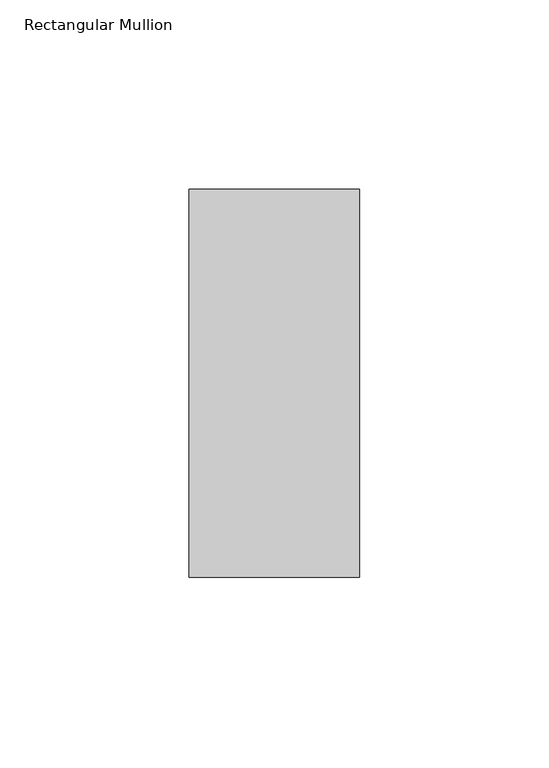
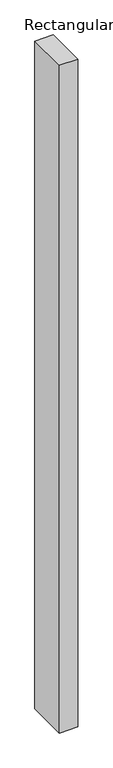
"""IFC4 building model written with IfcOpenShell, lengths in millimetres: member geometry, Rectangular Mullion."""

from ifc_helpers import new_model, si_unit, frame, origin, place, context, project, spatial, polyline, outline, extrude, source, transform, mapped, element, save


def rectangular_mullion_1c4628c7(model_context):
    return source(origin(), model_context, "Body", "SweptSolid", [
        extrude(outline(polyline([(0.0, 66.73125), (0.0, -35.73125), (-45.0, -35.73125), (-45.0, 66.73125), (0.0, 66.73125)])), frame((0.0, 0.0, -1708.8912252), z_axis=(0.0, 0.0, 1.0), x_axis=(1.0, 0.0, 0.0)), (0.0, 0.0, 1.0), 1708.8912252),
    ])


if __name__ == "__main__":
    model = new_model("IFC4")
    model_context = context("Model", 3, world=origin())
    ifc_project = project(units=[si_unit("LENGTHUNIT", "METRE", prefix="MILLI")], contexts=[model_context])
    site = spatial("IfcSite", under=ifc_project)
    building = spatial("IfcBuilding", under=site)
    placement = place(None, origin())
    rectangular_mullion_shape = rectangular_mullion_1c4628c7(model_context)
    element("IfcMember", 1, ObjectType="Rectangular Mullion", at=placement, inside=building, context=model_context, shape_type="MappedRepresentation", body=[
        mapped(rectangular_mullion_shape, transform((0.0, 0.0, 0.0), x_axis=(1.0, 0.0, 0.0), y_axis=(0.0, 1.0, 0.0), z_axis=(0.0, 0.0, 1.0))),
    ])
    save(model, "model.ifc")
